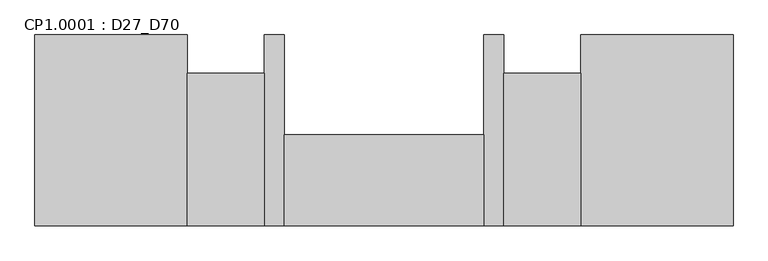
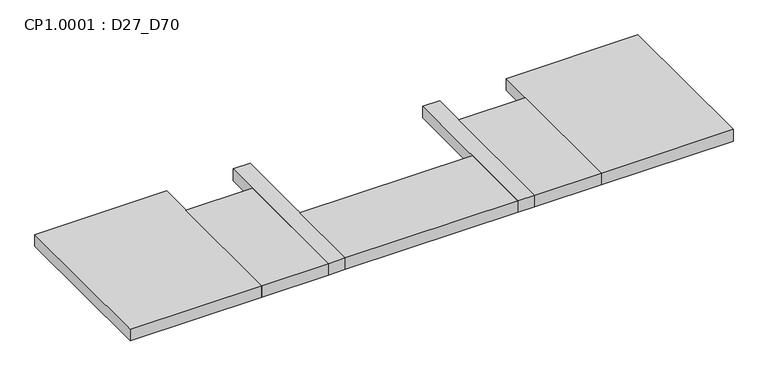
"""IFC4 building model written with IfcOpenShell, lengths in millimetres: proxy geometry, CP1.0001 : D27_D70."""

from ifc_helpers import new_model, si_unit, origin, origin_with_axes, place, context, project, spatial, polyline, outline, extrude, source, transform, mapped, element, save


def cp1_0001_d27_d70_91a48807(model_context):
    return source(origin(), model_context, "Body", "SweptSolid", [
        extrude(outline(polyline([(-2085.0, 1865.0), (-2085.0, 1330.0), (-2355.0, 1330.0), (-2355.0, 1865.0), (-2085.0, 1865.0)])), origin_with_axes(), (0.0, 0.0, 1.0), 50.0),
        extrude(outline(polyline([(-2425.0, 1650.0), (-2425.0, 1330.0), (-3125.0, 1330.0), (-3125.0, 1650.0), (-2425.0, 1650.0)])), origin_with_axes(), (0.0, 0.0, 1.0), 50.0),
        extrude(outline(polyline([(-3195.0, 1865.0), (-3195.0, 1330.0), (-3465.0, 1330.0), (-3465.0, 1865.0), (-3195.0, 1865.0)])), origin_with_axes(), (0.0, 0.0, 1.0), 50.0),
        extrude(outline(polyline([(-1550.0, 2000.0), (-1550.0, 1330.0), (-2085.0, 1330.0), (-2085.0, 2000.0), (-1550.0, 2000.0)])), origin_with_axes(), (0.0, 0.0, 1.0), 50.0),
        extrude(outline(polyline([(-2355.0, 2000.0), (-2355.0, 1330.0), (-2425.0, 1330.0), (-2425.0, 2000.0), (-2355.0, 2000.0)])), origin_with_axes(), (0.0, 0.0, 1.0), 50.0),
        extrude(outline(polyline([(-3125.0, 2000.0), (-3125.0, 1330.0), (-3195.0, 1330.0), (-3195.0, 2000.0), (-3125.0, 2000.0)])), origin_with_axes(), (0.0, 0.0, 1.0), 50.0),
        extrude(outline(polyline([(-3465.0, 2000.0), (-3465.0, 1330.0), (-4000.0, 1330.0), (-4000.0, 2000.0), (-3465.0, 2000.0)])), origin_with_axes(), (0.0, 0.0, 1.0), 50.0),
    ])


if __name__ == "__main__":
    model = new_model("IFC4")
    model_context = context("Model", 3, world=origin())
    ifc_project = project(units=[si_unit("LENGTHUNIT", "METRE", prefix="MILLI")], contexts=[model_context])
    site = spatial("IfcSite", under=ifc_project)
    building = spatial("IfcBuilding", under=site)
    placement = place(None, origin())
    cp1_0001_d27_d70_shape = cp1_0001_d27_d70_91a48807(model_context)
    element("IfcBuildingElementProxy", 1, Name="CP1.0001 : D27_D70", ObjectType="CP1.0001 : D27_D70", at=placement, inside=building, context=model_context, shape_type="MappedRepresentation", body=[
        mapped(cp1_0001_d27_d70_shape, transform((0.0, 0.0, 0.0), x_axis=(1.0, 0.0, 0.0), y_axis=(0.0, 1.0, 0.0), z_axis=(0.0, 0.0, 1.0))),
    ])
    save(model, "model.ifc")
